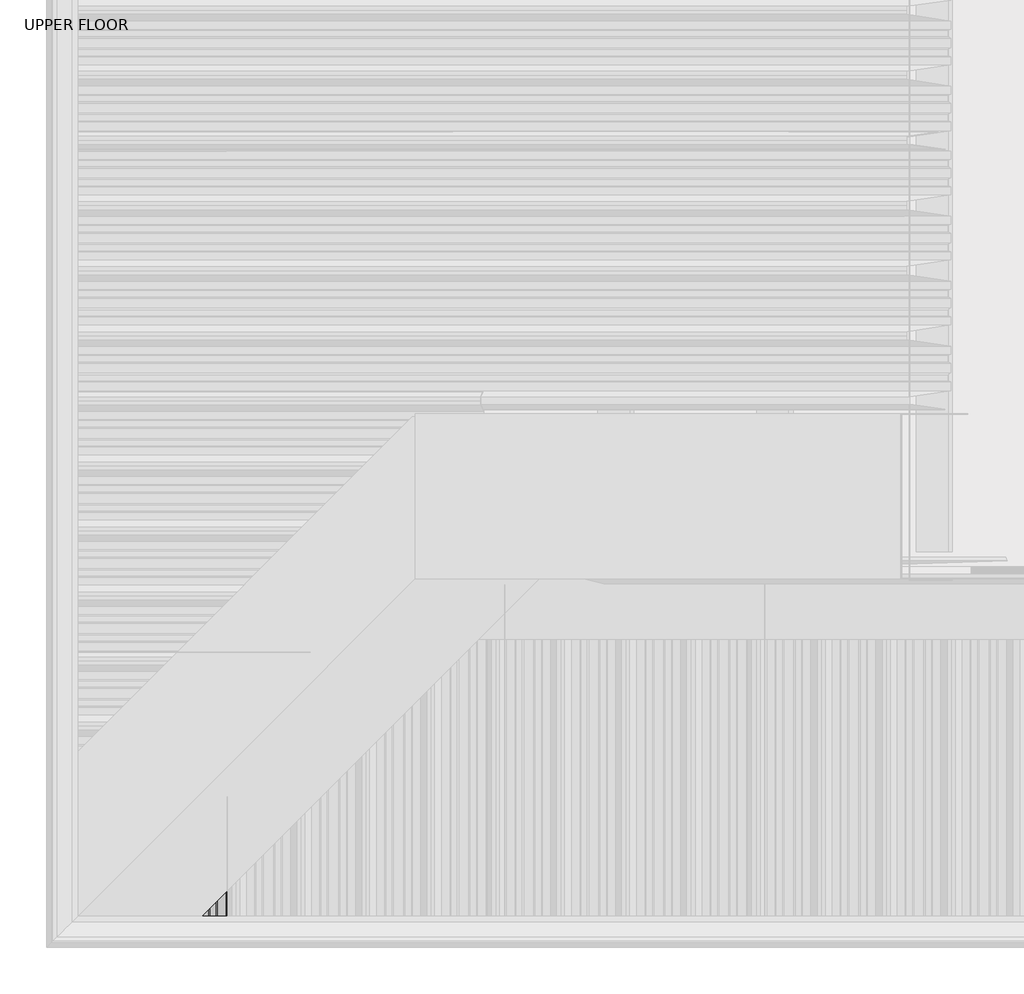
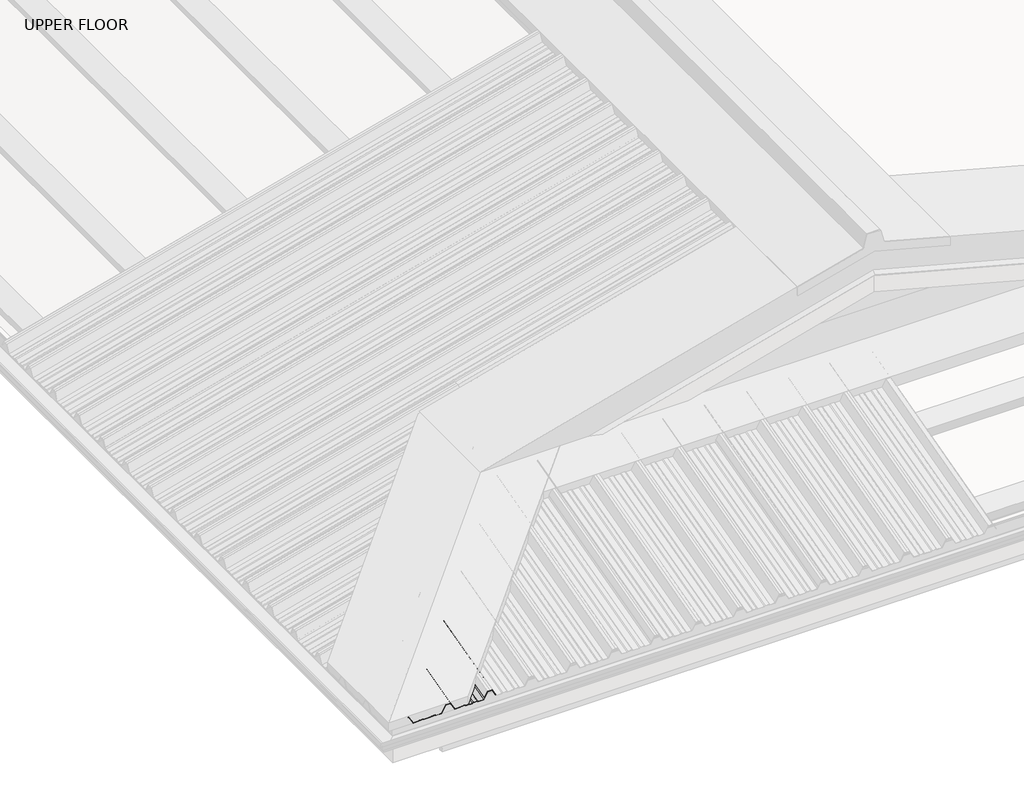
# One storey, part 3 of 21: 1 beam.
"""IFC4 building model written with IfcOpenShell, lengths in millimetres."""

from ifc_helpers import new_model, si_unit, frame, origin, place, context, project, spatial, ellipse_curve, element, save
from ifc_brep_helpers import plane_surface, cylinder_surface, advanced_brep

model = new_model("IFC4")

# Units and contexts
model_context = context("Model", 3, world=origin())
ifc_project = project(units=[si_unit("LENGTHUNIT", "METRE", prefix="MILLI")], contexts=[model_context])

# Site, building, storey
site = spatial("IfcSite", under=ifc_project)
building = spatial("IfcBuilding", under=site)
storey = spatial("IfcBuildingStorey", under=building, Name="UPPER FLOOR", Elevation=2700.0)

# Beam
placement = place(None, origin())
element("IfcBeam", 1, ObjectType="MC700", at=placement, inside=storey, context=model_context, shape_type="AdvancedBrep", body=[
    advanced_brep(
    [(-446.6651259, -4597.2039572, 3279.1550714), (-442.2848082, -4592.8236395, 3278.2165763), (-442.2848082, -4660.4975954, 3260.0833945), (-446.6651259, -4660.4975954, 3262.1955922), (-463.0931172, -4613.6319485, 3274.7532044), (-463.0931172, -4660.4975954, 3262.1955922), (-466.3081614, -4616.8469927, 3271.7795382), (-466.3081614, -4660.4975954, 3260.0833945), (-489.0057989, -4639.5446302, 3265.6977246), (-489.0057989, -4660.4975954, 3260.0833945), (-507.0803089, -4657.6191402, 3292.9482358), (-507.0803089, -4660.4975954, 3292.176956), (-509.9587642, -4660.4975954, 3292.176956), (-506.5057974, -4657.0446286, 3294.1374519), (-509.9587642, -4660.4975954, 3293.2122322), (-506.5057974, -4660.4975954, 3293.2122322), (-488.4312874, -4638.9701186, 3266.8869407), (-488.4312874, -4660.4975954, 3261.1186706), (-466.5986759, -4617.1375072, 3272.7369713), (-466.5986759, -4660.4975954, 3261.1186706), (-463.3836317, -4613.922463, 3275.7106375), (-463.3836317, -4660.4975954, 3263.2308683), (-446.4436624, -4596.9824937, 3280.2496886), (-446.4436624, -4660.4975954, 3263.2308683), (-442.0633447, -4592.602176, 3279.3111934), (-442.0633447, -4660.4975954, 3261.1186706), (-415.44825, -4565.9870813, 3286.4426866), (-415.44825, -4660.4975954, 3261.1186706), (-411.0679323, -4561.6067636, 3289.7285869), (-411.0679323, -4660.4975954, 3263.2308683), (-394.127963, -4544.6667943, 3294.267638), (-394.127963, -4660.4975954, 3263.2308683), (-390.9129188, -4541.4517501, 3293.0169088), (-390.9129188, -4660.4975954, 3261.1186706), (-369.0803073, -4519.6191386, 3298.8669394), (-369.0803073, -4660.4975954, 3261.1186706), (-351.0057974, -4501.5446286, 3335.8035513), (-351.0057974, -4660.4975954, 3293.2122322), (-340.0057974, -4490.5446286, 3338.7509924), (-340.0057974, -4660.4975954, 3293.2122322), (-329.0057974, -4479.5446286, 3341.6984335), (-329.0057974, -4660.4975954, 3293.2122322), (-310.9312874, -4461.4701186, 3314.4479223), (-310.9312874, -4660.4975954, 3261.1186706), (-289.0986759, -4439.6375072, 3320.2979529), (-289.0986759, -4660.4975954, 3261.1186706), (-285.8836317, -4436.422463, 3323.2716191), (-285.8836317, -4660.4975954, 3263.2308683), (-268.9436624, -4419.4824937, 3327.8106702), (-268.9436624, -4660.4975954, 3263.2308683), (-264.5633447, -4415.102176, 3326.8721751), (-264.5633447, -4660.4975954, 3261.1186706), (-237.94825, -4388.4870813, 3334.0036682), (-237.94825, -4660.4975954, 3261.1186706), (-233.5679323, -4384.1067636, 3337.2895685), (-233.5679323, -4660.4975954, 3263.2308683), (-216.627963, -4367.1667943, 3341.8286196), (-216.627963, -4660.4975954, 3263.2308683), (-213.4129188, -4363.9517501, 3340.5778904), (-213.4129188, -4660.4975954, 3261.1186706), (-189.2651868, -4339.8040181, 3347.0482557), (-189.2651868, -4660.4975954, 3261.1186706), (-172.3567742, -4322.8956055, 3381.6018604), (-172.3567742, -4660.4975954, 3291.1416799), (-152.6548205, -4303.1936518, 3386.880983), (-152.6548205, -4660.4975954, 3291.1416799), (-138.2093047, -4288.748136, 3365.1018205), (-138.2093047, -4660.4975954, 3265.4918531), (-139.0731906, -4289.6120219, 3364.3488873), (-139.0731906, -4660.4975954, 3264.9703974), (-153.2293321, -4303.7681633, 3385.6917669), (-153.2293321, -4660.4975954, 3290.1064037), (-171.7822626, -4322.3210939, 3380.7205242), (-171.7822626, -4660.4975954, 3290.1064037), (-188.6906752, -4339.2295065, 3346.1669194), (-188.6906752, -4660.4975954, 3260.0833945), (-213.7034333, -4364.2422646, 3339.4647711), (-213.7034333, -4660.4975954, 3260.0833945), (-216.9184775, -4367.4573088, 3340.7155003), (-216.9184775, -4660.4975954, 3262.1955922), (-233.3464688, -4383.8853001, 3336.3136333), (-233.3464688, -4660.4975954, 3262.1955922), (-237.7267865, -4388.2656178, 3333.027733), (-237.7267865, -4660.4975954, 3260.0833945), (-264.7848082, -4415.3236395, 3325.777558), (-264.7848082, -4660.4975954, 3260.0833945), (-269.1651259, -4419.7039572, 3326.7160531), (-269.1651259, -4660.4975954, 3262.1955922), (-285.5931172, -4436.1319485, 3322.3141861), (-285.5931172, -4660.4975954, 3262.1955922), (-288.8081614, -4439.3469927, 3319.3405199), (-288.8081614, -4660.4975954, 3260.0833945), (-311.5057989, -4462.0446302, 3313.2587062), (-311.5057989, -4660.4975954, 3260.0833945), (-329.5803089, -4480.1191402, 3340.5092175), (-329.5803089, -4660.4975954, 3292.176956), (-340.0057974, -4490.5446286, 3337.7157163), (-340.0057974, -4660.4975954, 3292.176956), (-350.4312858, -4500.9701171, 3334.922215), (-350.4312858, -4660.4975954, 3292.176956), (-368.5057958, -4519.0446271, 3297.9856031), (-368.5057958, -4660.4975954, 3260.0833945), (-391.2034333, -4541.7422646, 3291.9037894), (-391.2034333, -4660.4975954, 3260.0833945), (-394.4184775, -4544.9573088, 3293.1545187), (-394.4184775, -4660.4975954, 3262.1955922), (-410.8464688, -4561.3853001, 3288.7526517), (-410.8464688, -4660.4975954, 3262.1955922), (-415.2267865, -4565.7656178, 3285.4667514), (-415.2267865, -4660.4975954, 3260.0833945)],
    [
        (0, 1),
        (1, 2),
        (2, 3),
        (3, 0),
        (4, 0),
        (3, 5),
        (5, 4),
        (6, 4),
        (5, 7),
        (7, 6),
        (8, 6),
        (7, 9),
        (9, 8),
        (10, 8),
        (9, 11),
        (11, 10),
        (12, 10),
        (11, 12),
        (13, 14),
        (14, 15),
        (15, 13),
        (16, 13),
        (15, 17),
        (17, 16),
        (18, 16),
        (17, 19),
        (19, 18),
        (20, 18),
        (19, 21),
        (21, 20),
        (22, 20),
        (21, 23),
        (23, 22),
        (24, 22),
        (23, 25),
        (25, 24),
        (26, 24),
        (25, 27),
        (27, 26),
        (28, 26),
        (27, 29),
        (29, 28),
        (30, 28),
        (29, 31),
        (31, 30),
        (32, 30),
        (31, 33),
        (33, 32),
        (34, 32),
        (33, 35),
        (35, 34),
        (36, 34),
        (35, 37),
        (37, 36),
        (38, 36),
        (37, 39),
        (39, 38),
        (40, 38),
        (39, 41),
        (41, 40),
        (42, 40),
        (41, 43),
        (43, 42),
        (44, 42),
        (43, 45),
        (45, 44),
        (46, 44),
        (45, 47),
        (47, 46),
        (48, 46),
        (47, 49),
        (49, 48),
        (50, 48),
        (49, 51),
        (51, 50),
        (52, 50),
        (51, 53),
        (53, 52),
        (54, 52),
        (53, 55),
        (55, 54),
        (56, 54),
        (55, 57),
        (57, 56),
        (58, 56),
        (57, 59),
        (59, 58),
        (60, 58),
        (59, 61),
        (61, 60),
        (62, 60),
        (61, 63),
        (63, 62),
        (64, 62),
        (63, 65),
        (65, 64),
        (66, 64),
        (65, 67),
        (67, 66),
        (68, 66, ellipse_curve(frame((-138.6412477, -4289.180079, 3364.7253539), z_axis=(0.7071067811865475, -0.7071067811865476, 0.0), x_axis=(0.6612248329466452, 0.661224832946645, 0.35434932000691427)), 0.7320508, 0.5)),
        (67, 69, ellipse_curve(frame((-138.6412477, -4660.4975954, 3265.2311252), z_axis=(0.0, 1.0, 0.0), x_axis=(0.0, 0.0, 1.0)), 0.5176381, 0.5)),
        (69, 68),
        (70, 68),
        (69, 71),
        (71, 70),
        (72, 70),
        (71, 73),
        (73, 72),
        (74, 72),
        (73, 75),
        (75, 74),
        (76, 74),
        (75, 77),
        (77, 76),
        (78, 76),
        (77, 79),
        (79, 78),
        (80, 78),
        (79, 81),
        (81, 80),
        (82, 80),
        (81, 83),
        (83, 82),
        (84, 82),
        (83, 85),
        (85, 84),
        (86, 84),
        (85, 87),
        (87, 86),
        (88, 86),
        (87, 89),
        (89, 88),
        (90, 88),
        (89, 91),
        (91, 90),
        (92, 90),
        (91, 93),
        (93, 92),
        (94, 92),
        (93, 95),
        (95, 94),
        (96, 94),
        (95, 97),
        (97, 96),
        (98, 96),
        (97, 99),
        (99, 98),
        (100, 98),
        (99, 101),
        (101, 100),
        (102, 100),
        (101, 103),
        (103, 102),
        (104, 102),
        (103, 105),
        (105, 104),
        (106, 104),
        (105, 107),
        (107, 106),
        (108, 106),
        (107, 109),
        (109, 108),
        (1, 108),
        (109, 2),
        (12, 14),
    ],
    [
        plane_surface(frame((-442.2848082, -3756.7074872, 3502.2532241), z_axis=(-0.42221886042244594, 0.2346178917516165, -0.8756058923817255), x_axis=(0.0, -0.9659258262890683, -0.2588190451025206))),
        plane_surface(frame((-446.6651259, -3757.2355366, 3504.2239314), z_axis=(0.0, 0.2588190451025206, -0.9659258262890683), x_axis=(0.0, -0.9659258262890683, -0.2588190451025206))),
        plane_surface(frame((-463.0931172, -3757.2355366, 3504.2239314), z_axis=(0.5358075541289592, 0.2185313076918755, -0.8155699433505511), x_axis=(0.0, -0.9659258262890683, -0.2588190451025206))),
        plane_surface(frame((-466.3081614, -3756.7074872, 3502.2532241), z_axis=(0.0, 0.2588190451025206, -0.9659258262890683), x_axis=(0.0, -0.9659258262890683, -0.2588190451025206))),
        plane_surface(frame((-489.0057989, -3756.7074872, 3502.2532241), z_axis=(-0.8638858976217886, 0.13036393274178826, -0.4865248204668401), x_axis=(0.0, -0.9659258262890683, -0.2588190451025206))),
        plane_surface(frame((-507.0803089, -3764.7308776, 3532.1969247), z_axis=(0.0, 0.2588190451025206, -0.9659258262890683), x_axis=(0.0, -0.9659258262890683, -0.2588190451025206))),
        plane_surface(frame((-517.5057974, -3764.9896966, 3533.1628505), z_axis=(0.0, -0.2588190451025206, 0.9659258262890683), x_axis=(0.0, -0.9659258262890683, -0.2588190451025206))),
        plane_surface(frame((-506.5057974, -3764.9896966, 3533.1628505), z_axis=(0.8638858976217879, -0.13036393274178862, 0.48652482046684137), x_axis=(0.0, -0.9659258262890683, -0.2588190451025206))),
        plane_surface(frame((-488.4312874, -3756.9663062, 3503.2191499), z_axis=(0.0, -0.2588190451025206, 0.9659258262890683), x_axis=(0.0, -0.9659258262890683, -0.2588190451025206))),
        plane_surface(frame((-466.5986759, -3756.9663062, 3503.2191499), z_axis=(-0.5358075541289553, -0.21853130769187623, 0.8155699433505538), x_axis=(0.0, -0.9659258262890683, -0.2588190451025206))),
        plane_surface(frame((-463.3836317, -3757.4943557, 3505.1898572), z_axis=(0.0, -0.2588190451025206, 0.9659258262890683), x_axis=(0.0, -0.9659258262890683, -0.2588190451025206))),
        plane_surface(frame((-446.4436624, -3757.4943557, 3505.1898572), z_axis=(0.42221886042244594, -0.2346178917516165, 0.8756058923817255), x_axis=(0.0, -0.9659258262890683, -0.2588190451025206))),
        plane_surface(frame((-442.0633447, -3756.9663062, 3503.2191499), z_axis=(0.0, -0.2588190451025206, 0.9659258262890683), x_axis=(0.0, -0.9659258262890683, -0.2588190451025206))),
        plane_surface(frame((-415.44825, -3756.9663062, 3503.2191499), z_axis=(-0.42221886042244855, -0.23461789175161474, 0.8756058923817247), x_axis=(0.0, -0.9659258262890683, -0.2588190451025206))),
        plane_surface(frame((-411.0679323, -3757.4943557, 3505.1898572), z_axis=(0.0, -0.2588190451025206, 0.9659258262890683), x_axis=(0.0, -0.9659258262890683, -0.2588190451025206))),
        plane_surface(frame((-394.127963, -3757.4943557, 3505.1898572), z_axis=(0.5358075541289593, -0.21853130769187734, 0.8155699433505507), x_axis=(0.0, -0.9659258262890683, -0.2588190451025206))),
        plane_surface(frame((-390.9129188, -3756.9663062, 3503.2191499), z_axis=(0.0, -0.2588190451025206, 0.9659258262890683), x_axis=(0.0, -0.9659258262890683, -0.2588190451025206))),
        plane_surface(frame((-369.0803073, -3756.9663062, 3503.2191499), z_axis=(-0.8638858976217911, -0.13036393274178418, 0.48652482046683676), x_axis=(0.0, -0.9659258262890683, -0.2588190451025206))),
        plane_surface(frame((-351.0057974, -3764.9896966, 3533.1628505), z_axis=(0.0, -0.2588190451025206, 0.9659258262890683), x_axis=(0.0, -0.9659258262890683, -0.2588190451025206))),
        plane_surface(frame((-340.0057974, -3764.9896966, 3533.1628505), z_axis=(0.0, -0.2588190451025206, 0.9659258262890683), x_axis=(0.0, -0.9659258262890683, -0.2588190451025206))),
        plane_surface(frame((-329.0057974, -3764.9896966, 3533.1628505), z_axis=(0.8638858976217862, -0.13036393274178934, 0.48652482046684403), x_axis=(0.0, -0.9659258262890683, -0.2588190451025206))),
        plane_surface(frame((-310.9312874, -3756.9663062, 3503.2191499), z_axis=(0.0, -0.2588190451025206, 0.9659258262890683), x_axis=(0.0, -0.9659258262890683, -0.2588190451025206))),
        plane_surface(frame((-289.0986759, -3756.9663062, 3503.2191499), z_axis=(-0.5358075541289553, -0.21853130769187623, 0.8155699433505538), x_axis=(0.0, -0.9659258262890683, -0.2588190451025206))),
        plane_surface(frame((-285.8836317, -3757.4943557, 3505.1898572), z_axis=(0.0, -0.2588190451025206, 0.9659258262890683), x_axis=(0.0, -0.9659258262890683, -0.2588190451025206))),
        plane_surface(frame((-268.9436624, -3757.4943557, 3505.1898572), z_axis=(0.42221886042244855, -0.23461789175161618, 0.8756058923817243), x_axis=(0.0, -0.9659258262890683, -0.2588190451025206))),
        plane_surface(frame((-264.5633447, -3756.9663062, 3503.2191499), z_axis=(0.0, -0.2588190451025206, 0.9659258262890683), x_axis=(0.0, -0.9659258262890683, -0.2588190451025206))),
        plane_surface(frame((-237.94825, -3756.9663062, 3503.2191499), z_axis=(-0.42221886042244583, -0.23461789175161504, 0.8756058923817259), x_axis=(0.0, -0.9659258262890683, -0.2588190451025206))),
        plane_surface(frame((-233.5679323, -3757.4943557, 3505.1898572), z_axis=(0.0, -0.2588190451025206, 0.9659258262890683), x_axis=(0.0, -0.9659258262890683, -0.2588190451025206))),
        plane_surface(frame((-216.627963, -3757.4943557, 3505.1898572), z_axis=(0.5358075541289553, -0.218531307691878, 0.8155699433505531), x_axis=(0.0, -0.9659258262890683, -0.2588190451025206))),
        plane_surface(frame((-213.4129188, -3756.9663062, 3503.2191499), z_axis=(0.0, -0.2588190451025206, 0.9659258262890683), x_axis=(0.0, -0.9659258262890683, -0.2588190451025206))),
        plane_surface(frame((-189.2651868, -3756.9663062, 3503.2191499), z_axis=(-0.8638858976217909, -0.1303639327417843, 0.4865248204668372), x_axis=(0.0, -0.9659258262890683, -0.2588190451025206))),
        plane_surface(frame((-172.3567742, -3764.4720586, 3531.2309989), z_axis=(0.0, -0.2588190451025206, 0.9659258262890683), x_axis=(0.0, -0.9659258262890683, -0.2588190451025206))),
        plane_surface(frame((-152.6548205, -3764.4720586, 3531.2309989), z_axis=(0.8638858976217945, -0.13036393274178576, 0.48652482046683077), x_axis=(0.0, -0.9659258262890683, -0.2588190451025206))),
        cylinder_surface(frame((-138.6412477, -4670.7947773, 3262.4720037), z_axis=(0.0, 0.9659258262890683, 0.2588190451025206), x_axis=(-1.0000000000000002, 0.0, 0.0)), 0.5),
        plane_surface(frame((-139.0731906, -3757.9292379, 3506.8128599), z_axis=(-0.8638858976217776, 0.13036393274179317, -0.4865248204668584), x_axis=(0.0, -0.9659258262890683, -0.2588190451025206))),
        plane_surface(frame((-153.2293321, -3764.2132395, 3530.265073), z_axis=(0.0, 0.2588190451025206, -0.9659258262890683), x_axis=(0.0, -0.9659258262890683, -0.2588190451025206))),
        plane_surface(frame((-171.7822626, -3764.2132395, 3530.265073), z_axis=(0.8638858976217909, 0.1303639327417843, -0.4865248204668372), x_axis=(0.0, -0.9659258262890683, -0.2588190451025206))),
        plane_surface(frame((-188.6906752, -3756.7074872, 3502.2532241), z_axis=(0.0, 0.2588190451025206, -0.9659258262890683), x_axis=(0.0, -0.9659258262890683, -0.2588190451025206))),
        plane_surface(frame((-213.7034333, -3756.7074872, 3502.2532241), z_axis=(-0.5358075541289553, 0.218531307691878, -0.8155699433505531), x_axis=(0.0, -0.9659258262890683, -0.2588190451025206))),
        plane_surface(frame((-216.9184775, -3757.2355366, 3504.2239314), z_axis=(0.0, 0.2588190451025206, -0.9659258262890683), x_axis=(0.0, -0.9659258262890683, -0.2588190451025206))),
        plane_surface(frame((-233.3464688, -3757.2355366, 3504.2239314), z_axis=(0.42221886042244583, 0.23461789175161504, -0.8756058923817259), x_axis=(0.0, -0.9659258262890683, -0.2588190451025206))),
        plane_surface(frame((-237.7267865, -3756.7074872, 3502.2532241), z_axis=(0.0, 0.2588190451025206, -0.9659258262890683), x_axis=(0.0, -0.9659258262890683, -0.2588190451025206))),
        plane_surface(frame((-264.7848082, -3756.7074872, 3502.2532241), z_axis=(-0.42221886042244594, 0.2346178917516165, -0.8756058923817255), x_axis=(0.0, -0.9659258262890683, -0.2588190451025206))),
        plane_surface(frame((-269.1651259, -3757.2355366, 3504.2239314), z_axis=(0.0, 0.2588190451025206, -0.9659258262890683), x_axis=(0.0, -0.9659258262890683, -0.2588190451025206))),
        plane_surface(frame((-285.5931172, -3757.2355366, 3504.2239314), z_axis=(0.5358075541289592, 0.2185313076918755, -0.8155699433505511), x_axis=(0.0, -0.9659258262890683, -0.2588190451025206))),
        plane_surface(frame((-288.8081614, -3756.7074872, 3502.2532241), z_axis=(0.0, 0.2588190451025206, -0.9659258262890683), x_axis=(0.0, -0.9659258262890683, -0.2588190451025206))),
        plane_surface(frame((-311.5057989, -3756.7074872, 3502.2532241), z_axis=(-0.8638858976217904, 0.1303639327417875, -0.4865248204668373), x_axis=(0.0, -0.9659258262890683, -0.2588190451025206))),
        plane_surface(frame((-329.5803089, -3764.7308776, 3532.1969247), z_axis=(0.0, 0.2588190451025206, -0.9659258262890683), x_axis=(0.0, -0.9659258262890683, -0.2588190451025206))),
        plane_surface(frame((-340.0057974, -3764.7308776, 3532.1969247), z_axis=(0.0, 0.2588190451025206, -0.9659258262890683), x_axis=(0.0, -0.9659258262890683, -0.2588190451025206))),
        plane_surface(frame((-350.4312858, -3764.7308776, 3532.1969247), z_axis=(0.8638858976217945, 0.1303639327417827, -0.4865248204668313), x_axis=(0.0, -0.9659258262890683, -0.2588190451025206))),
        plane_surface(frame((-368.5057958, -3756.7074872, 3502.2532241), z_axis=(0.0, 0.2588190451025206, -0.9659258262890683), x_axis=(0.0, -0.9659258262890683, -0.2588190451025206))),
        plane_surface(frame((-391.2034333, -3756.7074872, 3502.2532241), z_axis=(-0.5358075541289513, 0.21853130769187867, -0.8155699433505555), x_axis=(0.0, -0.9659258262890683, -0.2588190451025206))),
        plane_surface(frame((-394.4184775, -3757.2355366, 3504.2239314), z_axis=(0.0, 0.2588190451025206, -0.9659258262890683), x_axis=(0.0, -0.9659258262890683, -0.2588190451025206))),
        plane_surface(frame((-410.8464688, -3757.2355366, 3504.2239314), z_axis=(0.42221886042244317, 0.23461789175161535, -0.8756058923817271), x_axis=(0.0, -0.9659258262890683, -0.2588190451025206))),
        plane_surface(frame((-415.2267865, -3756.7074872, 3502.2532241), z_axis=(0.0, 0.2588190451025206, -0.9659258262890683), x_axis=(0.0, -0.9659258262890683, -0.2588190451025206))),
        plane_surface(frame((-1673.9991786, -5824.5380099, 4168.077193), z_axis=(-0.7071067811865475, 0.7071067811865476, 0.0), x_axis=(0.0, 0.0, -1.0))),
        plane_surface(frame((-1839.2547497, -4660.4975954, 4094.1480288), z_axis=(0.0, -1.0, 0.0), x_axis=(0.0, 0.0, -1.0))),
    ],
    [
        (0, [[1, 2, 3, 4]]),
        (1, [[5, -4, 6, 7]]),
        (2, [[8, -7, 9, 10]]),
        (3, [[11, -10, 12, 13]]),
        (4, [[14, -13, 15, 16]]),
        (5, [[17, -16, 18]]),
        (6, [[19, 20, 21]]),
        (7, [[22, -21, 23, 24]]),
        (8, [[25, -24, 26, 27]]),
        (9, [[28, -27, 29, 30]]),
        (10, [[31, -30, 32, 33]]),
        (11, [[34, -33, 35, 36]]),
        (12, [[37, -36, 38, 39]]),
        (13, [[40, -39, 41, 42]]),
        (14, [[43, -42, 44, 45]]),
        (15, [[46, -45, 47, 48]]),
        (16, [[49, -48, 50, 51]]),
        (17, [[52, -51, 53, 54]]),
        (18, [[55, -54, 56, 57]]),
        (19, [[58, -57, 59, 60]]),
        (20, [[61, -60, 62, 63]]),
        (21, [[64, -63, 65, 66]]),
        (22, [[67, -66, 68, 69]]),
        (23, [[70, -69, 71, 72]]),
        (24, [[73, -72, 74, 75]]),
        (25, [[76, -75, 77, 78]]),
        (26, [[79, -78, 80, 81]]),
        (27, [[82, -81, 83, 84]]),
        (28, [[85, -84, 86, 87]]),
        (29, [[88, -87, 89, 90]]),
        (30, [[91, -90, 92, 93]]),
        (31, [[94, -93, 95, 96]]),
        (32, [[97, -96, 98, 99]]),
        (33, [[100, -99, 101, 102]]),
        (34, [[103, -102, 104, 105]]),
        (35, [[106, -105, 107, 108]]),
        (36, [[109, -108, 110, 111]]),
        (37, [[112, -111, 113, 114]]),
        (38, [[115, -114, 116, 117]]),
        (39, [[118, -117, 119, 120]]),
        (40, [[121, -120, 122, 123]]),
        (41, [[124, -123, 125, 126]]),
        (42, [[127, -126, 128, 129]]),
        (43, [[130, -129, 131, 132]]),
        (44, [[133, -132, 134, 135]]),
        (45, [[136, -135, 137, 138]]),
        (46, [[139, -138, 140, 141]]),
        (47, [[142, -141, 143, 144]]),
        (48, [[145, -144, 146, 147]]),
        (49, [[148, -147, 149, 150]]),
        (50, [[151, -150, 152, 153]]),
        (51, [[154, -153, 155, 156]]),
        (52, [[157, -156, 158, 159]]),
        (53, [[160, -159, 161, 162]]),
        (54, [[163, -162, 164, -2]]),
        (55, [[-1, -5, -8, -11, -14, -17, 165, -19, -22, -25, -28, -31, -34, -37, -40, -43, -46, -49, -52, -55, -58, -61, -64, -67, -70, -73, -76, -79, -82, -85, -88, -91, -94, -97, -100, -103, -106, -109, -112, -115, -118, -121, -124, -127, -130, -133, -136, -139, -142, -145, -148, -151, -154, -157, -160, -163]]),
        (56, [[-3, -164, -161, -158, -155, -152, -149, -146, -143, -140, -137, -134, -131, -128, -125, -122, -119, -116, -113, -110, -107, -104, -101, -98, -95, -92, -89, -86, -83, -80, -77, -74, -71, -68, -65, -62, -59, -56, -53, -50, -47, -44, -41, -38, -35, -32, -29, -26, -23, -20, -165, -18, -15, -12, -9, -6]]),
    ],
),
])

save(model, "model.ifc")
